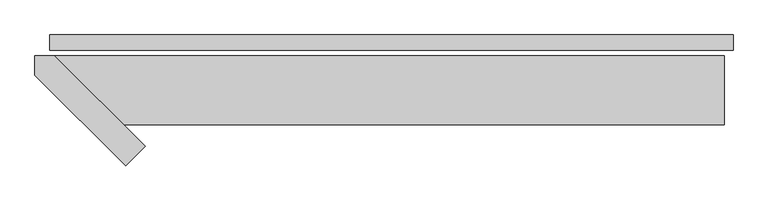
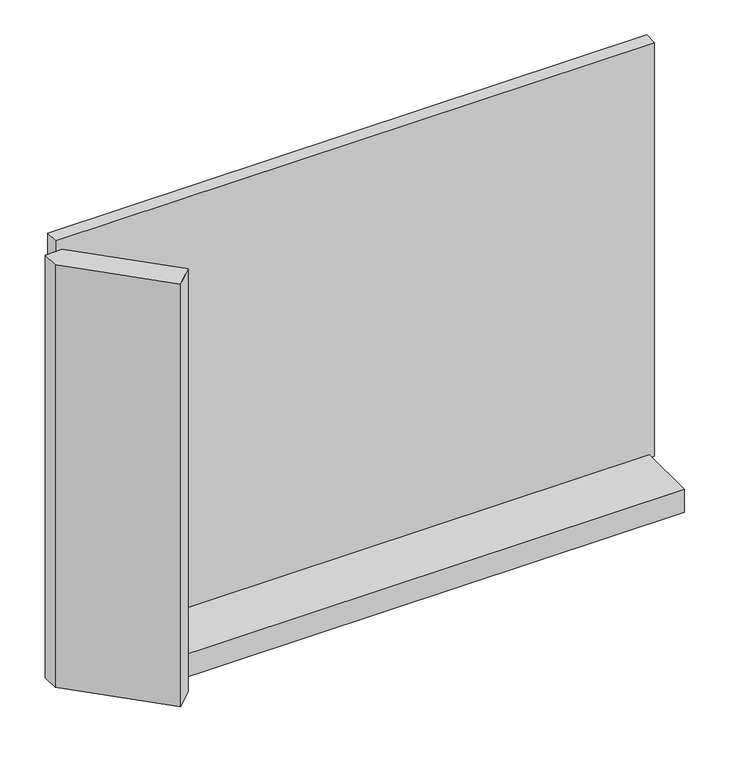
"""IFC4 building model written with IfcOpenShell, lengths in millimetres: plate geometry."""

from ifc_helpers import new_model, si_unit, frame, origin, origin_with_axes, place, context, project, spatial, polyline, outline, extrude, source, transform, mapped, element, save


def plate_0af813ca(model_context):
    return source(origin(), model_context, "Body", "SweptSolid", [
        extrude(outline(polyline([(991.0, 0.0), (991.0, -44.0), (-991.0, -44.0), (-991.0, 0.0), (991.0, 0.0)])), origin_with_axes(), (0.0, 0.0, 1.0), 1447.534293),
        extrude(outline(polyline([(-714.0, -323.4314575), (-770.5685425, -380.0), (-1034.0, -116.5685425), (-1034.0, -60.0), (-977.4314575, -60.0), (-714.0, -323.4314575)])), frame((0.0, 0.0, -55.0), z_axis=(0.0, 0.0, 1.0), x_axis=(1.0, 0.0, 0.0)), (0.0, 0.0, 1.0), 1477.534293),
        extrude(outline(polyline([(966.0, -260.0), (-777.4314575, -260.0), (-977.4314575, -60.0), (966.0, -60.0), (966.0, -260.0)])), frame((0.0, 0.0, -55.0), z_axis=(0.0, 0.0, 1.0), x_axis=(1.0, 0.0, 0.0)), (0.0, 0.0, 1.0), 80.0),
    ])


if __name__ == "__main__":
    model = new_model("IFC4")
    model_context = context("Model", 3, world=origin())
    ifc_project = project(units=[si_unit("LENGTHUNIT", "METRE", prefix="MILLI")], contexts=[model_context])
    site = spatial("IfcSite", under=ifc_project)
    building = spatial("IfcBuilding", under=site)
    placement = place(None, origin())
    plate_shape = plate_0af813ca(model_context)
    element("IfcPlate", 1, at=placement, inside=building, context=model_context, shape_type="MappedRepresentation", body=[
        mapped(plate_shape, transform((0.0, 0.0, 0.0), x_axis=(1.0, 0.0, 0.0), y_axis=(0.0, 1.0, 0.0), z_axis=(0.0, 0.0, 1.0))),
    ])
    save(model, "model.ifc")
